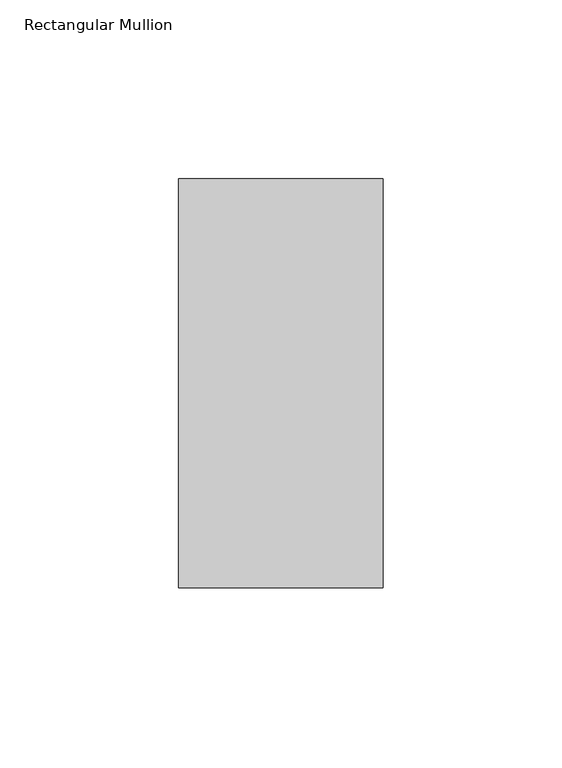
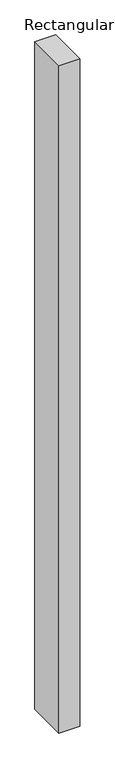
"""IFC4 building model written with IfcOpenShell, lengths in millimetres: member geometry, Rectangular Mullion."""

from ifc_helpers import new_model, si_unit, frame, origin, place, context, project, spatial, polyline, outline, extrude, source, transform, mapped, element, save


def rectangular_mullion_1367ab98(model_context):
    return source(origin(), model_context, "Body", "SweptSolid", [
        extrude(outline(polyline([(-57.15, 57.12714), (0.0, 57.12714), (0.0, -57.17286), (-57.15, -57.17286), (-57.15, 57.12714)])), frame((0.0, 0.0, -1943.1), z_axis=(0.0, 0.0, 1.0), x_axis=(1.0, 0.0, 0.0)), (0.0, 0.0, 1.0), 1943.1),
    ])


if __name__ == "__main__":
    model = new_model("IFC4")
    model_context = context("Model", 3, world=origin())
    ifc_project = project(units=[si_unit("LENGTHUNIT", "METRE", prefix="MILLI")], contexts=[model_context])
    site = spatial("IfcSite", under=ifc_project)
    building = spatial("IfcBuilding", under=site)
    placement = place(None, origin())
    rectangular_mullion_shape = rectangular_mullion_1367ab98(model_context)
    element("IfcMember", 1, ObjectType="Rectangular Mullion", at=placement, inside=building, context=model_context, shape_type="MappedRepresentation", body=[
        mapped(rectangular_mullion_shape, transform((0.0, 0.0, 0.0), x_axis=(1.0, 0.0, 0.0), y_axis=(0.0, 1.0, 0.0), z_axis=(0.0, 0.0, 1.0))),
    ])
    save(model, "model.ifc")
